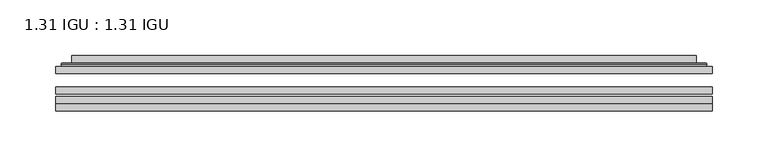
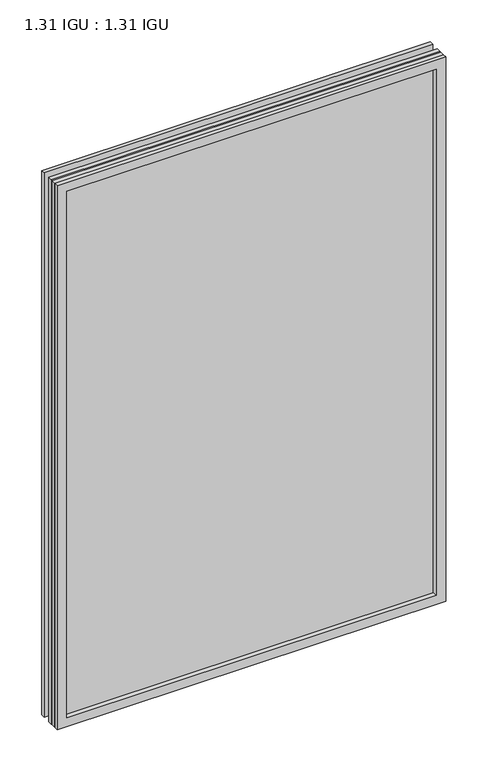
"""IFC4 building model written with IfcOpenShell, lengths in millimetres: plate geometry, 1.31 IGU : 1.31 IGU."""

from ifc_helpers import new_model, si_unit, frame, origin, place, context, project, spatial, polyline, ellipse_curve, outline, extrude, faceted_brep, source, transform, mapped, element, save
from ifc_brep_helpers import plane_surface, cylinder_surface, advanced_brep


def plate_1_31_igu_1_31_igu_f05d39ab(model_context):
    return source(origin(), model_context, "Body", "SolidModel", [
        extrude(outline(polyline([(293.7048663, -63.59525), (293.7048663, -69.94525), (-293.6906913, -69.94525), (-293.6906913, -63.59525), (293.7048663, -63.59525)])), frame((0.0, 0.0, -14.2875), z_axis=(0.0, 0.0, 1.0), x_axis=(1.0, 0.0, 0.0)), (0.0, 0.0, 1.0), 869.9537979),
        extrude(outline(polyline([(-293.6906913, -78.58125), (-293.6906913, -72.230745), (293.7048663, -72.230745), (293.7048663, -78.58125), (-293.6906913, -78.58125)])), frame((0.0, 0.0, -14.2875), z_axis=(0.0, 0.0, 1.0), x_axis=(1.0, 0.0, 0.0)), (0.0, 0.0, 1.0), 869.9537979),
        extrude(outline(polyline([(293.7048663, -45.25645), (293.7048663, -51.60645), (-293.6906913, -51.60645), (-293.6906913, -45.25645), (293.7048663, -45.25645)])), frame((0.0, 0.0, -14.2875), z_axis=(0.0, 0.0, 1.0), x_axis=(1.0, 0.0, 0.0)), (0.0, 0.0, 1.0), 869.9537979),
        faceted_brep([(-293.7033913, -84.93125, 855.6752), (-293.7033913, -78.58125, 855.6752), (-293.7033913, -78.58125, -14.3002), (-293.7033913, -84.93125, -14.3002), (293.7033913, -78.58125, -14.3002), (293.7033913, -84.93125, -14.3002), (293.7033913, -78.58125, 855.6752), (293.7033913, -84.93125, 855.6752), (-278.5054472, -78.58125, 0.8977441), (278.5054472, -78.58125, 0.8977441), (278.5054472, -78.58125, 840.4772559), (-278.5054472, -78.58125, 840.4772559), (-279.3978815, -84.93125, 841.3696902), (279.3978815, -84.93125, 841.3696902), (279.3978815, -84.93125, 0.0053098), (-279.3978815, -84.93125, 0.0053098)], [[[0, 1, 2, 3]], [[3, 2, 4, 5]], [[5, 4, 6, 7]], [[1, 6, 4, 2], [8, 9, 10, 11]], [[7, 6, 1, 0]], [[3, 5, 7, 0], [12, 13, 14, 15]], [[11, 12, 15, 8]], [[8, 15, 14, 9]], [[9, 14, 13, 10]], [[10, 13, 12, 11]]]),
        advanced_brep(
        [(-286.4494104, -45.25645, 848.4212191), (-288.8036157, -43.2667833, 850.7754244), (-288.8036157, -43.2667833, -9.4004244), (-286.4494104, -45.25645, -7.046219), (-277.3750852, -41.416413, 839.3468939), (-272.4402534, -45.25645, 834.4120621), (-272.4402534, -45.25645, 6.9629379), (-277.3750852, -41.416413, 2.0281061), (-278.407113, -36.0191819, 840.3789217), (-278.407113, -36.0191819, 0.9960783), (-279.3977698, -35.6202069, 841.3695784), (-279.3977698, -35.6202069, 0.0054216), (-279.3977698, -42.08145, 841.3695784), (-279.3977698, -42.08145, 0.0054216), (-287.8018262, -42.08145, 849.7736349), (-287.8018262, -42.08145, -8.3986349), (288.8036157, -43.2667833, -9.4004244), (286.4494104, -45.25645, -7.046219), (272.4402534, -45.25645, 6.9629379), (277.3750852, -41.416413, 2.0281061), (278.407113, -36.0191819, 0.9960783), (279.3977698, -35.6202069, 0.0054216), (279.3977698, -42.08145, 0.0054216), (287.8018262, -42.08145, -8.3986349), (288.8036157, -43.2667833, 850.7754244), (286.4494104, -45.25645, 848.4212191), (272.4402534, -45.25645, 834.4120621), (277.3750852, -41.416413, 839.3468939), (278.407113, -36.0191819, 840.3789217), (279.3977698, -35.6202069, 841.3695784), (279.3977698, -42.08145, 841.3695784), (287.8018262, -42.08145, 849.7736349)],
        [
            (0, 1, ellipse_curve(frame((-286.4494104, -42.86885, 848.4212191), z_axis=(-0.7071067811865475, 0.0, -0.7071067811865475), x_axis=(-0.7071067811865474, 0.0, 0.7071067811865476)), 3.3765763, 2.3876)),
            (1, 2),
            (2, 3, ellipse_curve(frame((-286.4494104, -42.86885, -7.046219), z_axis=(-0.7071067811865475, 0.0, 0.7071067811865475), x_axis=(0.7071067811865474, 0.0, 0.7071067811865476)), 3.3765763, 2.3876)),
            (3, 0),
            (4, 5),
            (5, 6),
            (6, 7),
            (7, 4),
            (8, 4),
            (7, 9),
            (9, 8),
            (10, 8, ellipse_curve(frame((-279.0308132, -36.1384423, 841.0026219), z_axis=(-0.7071067811865475, 0.0, -0.7071067811865475), x_axis=(-0.7071067811865474, 0.0, 0.7071067811865476)), 0.8980256, 0.635)),
            (9, 11, ellipse_curve(frame((-279.0308132, -36.1384423, 0.3723781), z_axis=(-0.7071067811865475, 0.0, 0.7071067811865475), x_axis=(0.7071067811865474, 0.0, 0.7071067811865476)), 0.8980256, 0.635)),
            (11, 10),
            (12, 10),
            (11, 13),
            (13, 12),
            (1, 14, ellipse_curve(frame((-287.8018262, -43.09745, 849.7736349), z_axis=(-0.7071067811865475, 0.0, -0.7071067811865475), x_axis=(-0.7071067811865474, 0.0, 0.7071067811865476)), 1.436841, 1.016)),
            (14, 15),
            (15, 2, ellipse_curve(frame((-287.8018262, -43.09745, -8.3986349), z_axis=(-0.7071067811865475, 0.0, 0.7071067811865475), x_axis=(0.7071067811865474, 0.0, 0.7071067811865476)), 1.436841, 1.016)),
            (2, 16),
            (16, 17, ellipse_curve(frame((286.4494104, -42.86885, -7.046219), z_axis=(-0.7071067811865475, 0.0, -0.7071067811865475), x_axis=(-0.7071067811865476, 0.0, 0.7071067811865474)), 3.3765763, 2.3876)),
            (17, 3),
            (6, 18),
            (18, 19),
            (19, 7),
            (19, 20),
            (20, 9),
            (20, 21, ellipse_curve(frame((279.0308132, -36.1384423, 0.3723781), z_axis=(-0.7071067811865475, 0.0, -0.7071067811865475), x_axis=(-0.7071067811865476, 0.0, 0.7071067811865474)), 0.8980256, 0.635)),
            (21, 11),
            (21, 22),
            (22, 13),
            (15, 23),
            (23, 16, ellipse_curve(frame((287.8018262, -43.09745, -8.3986349), z_axis=(-0.7071067811865475, 0.0, -0.7071067811865475), x_axis=(-0.7071067811865476, 0.0, 0.7071067811865474)), 1.436841, 1.016)),
            (16, 24),
            (24, 25, ellipse_curve(frame((286.4494104, -42.86885, 848.4212191), z_axis=(0.7071067811865475, 0.0, -0.7071067811865475), x_axis=(-0.7071067811865474, 0.0, -0.7071067811865476)), 3.3765763, 2.3876)),
            (25, 17),
            (18, 26),
            (26, 27),
            (27, 19),
            (27, 28),
            (28, 20),
            (28, 29, ellipse_curve(frame((279.0308132, -36.1384423, 841.0026219), z_axis=(0.7071067811865475, 0.0, -0.7071067811865475), x_axis=(-0.7071067811865474, 0.0, -0.7071067811865476)), 0.8980256, 0.635)),
            (29, 21),
            (29, 30),
            (30, 22),
            (23, 31),
            (31, 24, ellipse_curve(frame((287.8018262, -43.09745, 849.7736349), z_axis=(0.7071067811865475, 0.0, -0.7071067811865475), x_axis=(-0.7071067811865474, 0.0, -0.7071067811865476)), 1.436841, 1.016)),
            (24, 1),
            (0, 25),
            (5, 26),
            (4, 27),
            (8, 28),
            (10, 29),
            (12, 30),
            (14, 31),
        ],
        [
            cylinder_surface(frame((-286.4494104, -42.86885, 873.125), z_axis=(0.0, 0.0, 1.0), x_axis=(-1.0, 0.0, 0.0)), 2.3876),
            plane_surface(frame((-272.4402534, -45.25645, 834.4120621), z_axis=(0.6141233906514794, 0.7892100234124821, 0.0), x_axis=(0.0, 0.0, -1.0))),
            plane_surface(frame((-277.3750852, -41.416413, 839.3468939), z_axis=(0.9822050625507729, 0.18781164793386076, 0.0), x_axis=(0.0, 0.0, -1.0))),
            cylinder_surface(frame((-279.0308132, -36.1384423, 873.125), z_axis=(0.0, 0.0, 1.0), x_axis=(-1.0, 0.0, 0.0)), 0.635),
            plane_surface(frame((-279.3977698, -35.6202069, 841.3695784), z_axis=(-1.0, 0.0, 0.0), x_axis=(0.0, 0.0, -1.0))),
            cylinder_surface(frame((-287.8018262, -43.09745, 873.125), z_axis=(0.0, 0.0, 1.0), x_axis=(-1.0, 0.0, 0.0)), 1.016),
            cylinder_surface(frame((-311.1531913, -42.86885, -7.046219), z_axis=(-1.0, 0.0, 0.0), x_axis=(0.0, 0.0, -1.0)), 2.3876),
            plane_surface(frame((-272.4402534, -45.25645, 6.9629379), z_axis=(0.0, 0.7892100234124841, 0.6141233906514768), x_axis=(1.0, 0.0, 0.0))),
            plane_surface(frame((-277.3750852, -41.416413, 2.0281061), z_axis=(0.0, 0.18781164793386393, 0.9822050625507723), x_axis=(1.0, 0.0, 0.0))),
            cylinder_surface(frame((-311.1531913, -36.1384423, 0.3723781), z_axis=(-1.0, 0.0, 0.0), x_axis=(0.0, 0.0, -1.0)), 0.635),
            plane_surface(frame((-279.3977698, -35.6202069, 0.0054216), z_axis=(0.0, 0.0, -1.0), x_axis=(1.0, 0.0, 0.0))),
            cylinder_surface(frame((-311.1531913, -43.09745, -8.3986349), z_axis=(-1.0, 0.0, 0.0), x_axis=(0.0, 0.0, -1.0)), 1.016),
            cylinder_surface(frame((286.4494104, -42.86885, -31.75), z_axis=(0.0, 0.0, -1.0), x_axis=(1.0, 0.0, 0.0)), 2.3876),
            plane_surface(frame((272.4402534, -45.25645, 6.9629379), z_axis=(-0.6141233906514743, 0.7892100234124861, 0.0), x_axis=(0.0, 0.0, 1.0))),
            plane_surface(frame((277.3750852, -41.416413, 2.0281061), z_axis=(-0.9822050625507718, 0.1878116479338671, 0.0), x_axis=(0.0, 0.0, 1.0))),
            cylinder_surface(frame((279.0308132, -36.1384423, -31.75), z_axis=(0.0, 0.0, -1.0), x_axis=(1.0, 0.0, 0.0)), 0.635),
            plane_surface(frame((279.3977698, -35.6202069, 0.0054216), z_axis=(1.0, 0.0, 0.0), x_axis=(0.0, 0.0, 1.0))),
            cylinder_surface(frame((287.8018262, -43.09745, -31.75), z_axis=(0.0, 0.0, -1.0), x_axis=(1.0, 0.0, 0.0)), 1.016),
            cylinder_surface(frame((311.1531913, -42.86885, 848.4212191), z_axis=(1.0, 0.0, 0.0), x_axis=(0.0, 0.0, 1.0)), 2.3876),
            plane_surface(frame((286.4494104, -45.25645, 848.4212191), z_axis=(0.0, -1.0, 0.0), x_axis=(-1.0, 0.0, 0.0))),
            plane_surface(frame((272.4402534, -45.25645, 834.4120621), z_axis=(0.0, 0.7892100234124841, -0.6141233906514768), x_axis=(-1.0, 0.0, 0.0))),
            plane_surface(frame((277.3750852, -41.416413, 839.3468939), z_axis=(0.0, 0.18781164793386393, -0.9822050625507723), x_axis=(-1.0, 0.0, 0.0))),
            cylinder_surface(frame((311.1531913, -36.1384423, 841.0026219), z_axis=(1.0, 0.0, 0.0), x_axis=(0.0, 0.0, 1.0)), 0.635),
            plane_surface(frame((279.3977698, -35.6202069, 841.3695784), z_axis=(0.0, 0.0, 1.0), x_axis=(-1.0, 0.0, 0.0))),
            plane_surface(frame((279.3977698, -42.08145, 841.3695784), z_axis=(0.0, 1.0, 0.0), x_axis=(-1.0, 0.0, 0.0))),
            cylinder_surface(frame((311.1531913, -43.09745, 849.7736349), z_axis=(1.0, 0.0, 0.0), x_axis=(0.0, 0.0, 1.0)), 1.016),
        ],
        [
            (0, [[1, 2, 3, 4]]),
            (1, [[5, 6, 7, 8]]),
            (2, [[9, -8, 10, 11]]),
            (3, [[12, -11, 13, 14]]),
            (4, [[15, -14, 16, 17]]),
            (5, [[18, 19, 20, -2]]),
            (6, [[-3, 21, 22, 23]]),
            (7, [[-7, 24, 25, 26]]),
            (8, [[-10, -26, 27, 28]]),
            (9, [[-13, -28, 29, 30]]),
            (10, [[-16, -30, 31, 32]]),
            (11, [[-20, 33, 34, -21]]),
            (12, [[-22, 35, 36, 37]]),
            (13, [[-25, 38, 39, 40]]),
            (14, [[-27, -40, 41, 42]]),
            (15, [[-29, -42, 43, 44]]),
            (16, [[-31, -44, 45, 46]]),
            (17, [[-34, 47, 48, -35]]),
            (18, [[-36, 49, -1, 50]]),
            (19, [[-23, -37, -50, -4], [51, -38, -24, -6]]),
            (20, [[-39, -51, -5, 52]]),
            (21, [[-41, -52, -9, 53]]),
            (22, [[-43, -53, -12, 54]]),
            (23, [[-45, -54, -15, 55]]),
            (24, [[56, -47, -33, -19], [-32, -46, -55, -17]]),
            (25, [[-48, -56, -18, -49]]),
        ],
    ),
    ])


if __name__ == "__main__":
    model = new_model("IFC4")
    model_context = context("Model", 3, world=origin())
    ifc_project = project(units=[si_unit("LENGTHUNIT", "METRE", prefix="MILLI")], contexts=[model_context])
    site = spatial("IfcSite", under=ifc_project)
    building = spatial("IfcBuilding", under=site)
    placement = place(None, origin())
    plate_1_31_igu_1_31_igu_shape = plate_1_31_igu_1_31_igu_f05d39ab(model_context)
    element("IfcPlate", 1, ObjectType="1.31 IGU : 1.31 IGU", at=placement, inside=building, context=model_context, shape_type="MappedRepresentation", body=[
        mapped(plate_1_31_igu_1_31_igu_shape, transform((0.0, 0.0, 0.0), x_axis=(1.0, 0.0, 0.0), y_axis=(0.0, 1.0, 0.0), z_axis=(0.0, 0.0, 1.0))),
    ])
    save(model, "model.ifc")
